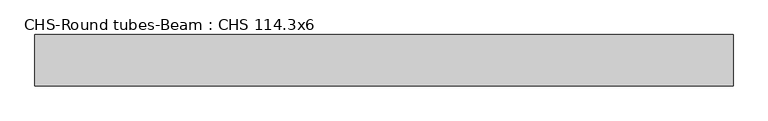
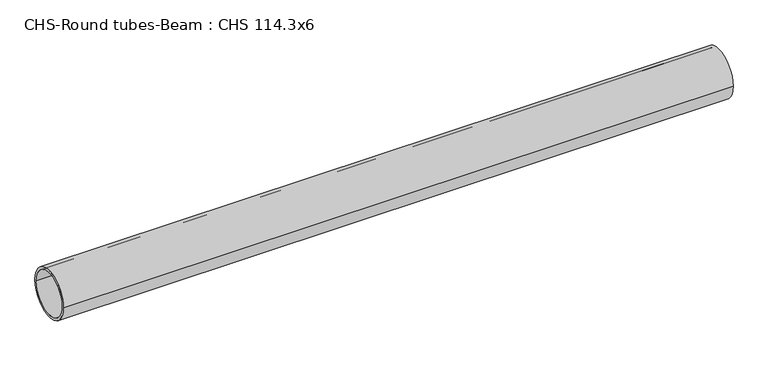
"""IFC4 building model written with IfcOpenShell, lengths in millimetres: beam geometry, CHS-Round tubes-Beam : CHS 114.3x6."""

import ifcopenshell
import ifcopenshell.guid

model = None  # the IFC model being written
_history = None  # IfcOwnerHistory: only IFC2X3 demands one
_inside = {}  # id of a spatial element -> (the spatial element, [elements in it])
_under = {}  # id of a project, library or spatial element -> (it, [spatial elements below it])
_declared = {}  # id of a project -> (the project, [libraries it declares])
_typed = {}  # id of a type object -> (the type object, [elements of that type])
_made_of = {}  # id of a material, layer set ... -> (it, [elements and type objects made of it])


def new_model(schema):
    """Start an empty IFC model of exactly this schema.

    Asked for "IFC4X3", IfcOpenShell would pick the latest addendum, in which some entities
    have other attributes; the version numbers below select the first issue.
    IFC2X3 requires an IfcOwnerHistory on every rooted entity: one is made here for all.
    """
    global model, _history
    if schema == "IFC4X3":
        model = ifcopenshell.file(schema_version=(4, 3, 0, 0))
    else:
        model = ifcopenshell.file(schema=schema)
    _inside.clear()
    _under.clear()
    _declared.clear()
    _typed.clear()
    _made_of.clear()
    _history = None
    if model.schema == "IFC2X3":
        org = make("IfcOrganization", Name="unknown")
        user = make(
            "IfcPersonAndOrganization",
            ThePerson=make("IfcPerson", FamilyName="unknown"),
            TheOrganization=org,
        )
        app = make(
            "IfcApplication",
            ApplicationDeveloper=org,
            Version="unknown",
            ApplicationFullName="unknown",
            ApplicationIdentifier="unknown",
        )
        _history = make(
            "IfcOwnerHistory",
            OwningUser=user,
            OwningApplication=app,
            ChangeAction="ADDED",
            CreationDate=0,
        )
    return model


def make(cls, **values):
    """One entity of the class cls with the attributes given. An attribute that is None is left unset."""
    return model.create_entity(
        cls, **{name: value for name, value in values.items() if value is not None}
    )


def rooted(cls, **values):
    """An entity with a GlobalId (a new one), such as an element, a storey or a relation."""
    return make(cls, GlobalId=ifcopenshell.guid.new(), OwnerHistory=_history, **values)


def si_unit(unit_type, name, prefix=None):
    """IfcSIUnit, for example si_unit("LENGTHUNIT", "METRE", prefix="MILLI")."""
    return make("IfcSIUnit", UnitType=unit_type, Prefix=prefix, Name=name)


def assignment(units):
    """IfcUnitAssignment: the units of a project."""
    return None if units is None else make("IfcUnitAssignment", Units=units)


def point(xyz):
    """IfcCartesianPoint."""
    return None if xyz is None else make("IfcCartesianPoint", Coordinates=xyz)


def direction(xyz):
    """IfcDirection."""
    return None if xyz is None else make("IfcDirection", DirectionRatios=xyz)


def frame(location, z_axis=None, x_axis=None):
    """IfcAxis2Placement3D, a coordinate frame: its origin and axes. An axis left out is left unset."""
    return make(
        "IfcAxis2Placement3D",
        Location=point(location),
        Axis=direction(z_axis),
        RefDirection=direction(x_axis),
    )


def frame_2d(location, x_axis=None):
    """IfcAxis2Placement2D, a coordinate frame in the plane: its origin and x axis."""
    return make(
        "IfcAxis2Placement2D", Location=point(location), RefDirection=direction(x_axis)
    )


def origin():
    """The frame at (0, 0, 0) with its axes left unset."""
    return frame((0.0, 0.0, 0.0))


def origin_2d():
    """The frame at (0, 0) in the plane with its x axis left unset."""
    return frame_2d((0.0, 0.0))


def place(relative_to, where):
    """IfcLocalPlacement: puts the frame where relative to a parent placement (None: the world)."""
    return make(
        "IfcLocalPlacement", PlacementRelTo=relative_to, RelativePlacement=where
    )


def context(
    kind, dimensions, precision=None, world=None, true_north=None, identifier=None
):
    """IfcGeometricRepresentationContext, for example the 3D "Model" context."""
    return make(
        "IfcGeometricRepresentationContext",
        ContextIdentifier=identifier,
        ContextType=kind,
        CoordinateSpaceDimension=dimensions,
        Precision=precision,
        WorldCoordinateSystem=world,
        TrueNorth=true_north,
    )


def project(units=None, contexts=None):
    """IfcProject with its units and contexts."""
    return rooted(
        "IfcProject",
        Name="project",
        RepresentationContexts=contexts,
        UnitsInContext=assignment(units),
    )


def spatial(cls, under=None, at=None, **own):
    """A site, building, storey or space (cls), placed at a placement, below another one or the project."""
    s = rooted(cls, ObjectPlacement=at, **own)
    if under is not None:
        _under.setdefault(under.id(), (under, []))[1].append(s)
    return s


def circle_curve(where, radius):
    """IfcCircle in the frame where."""
    return make("IfcCircle", Position=where, Radius=radius)


def trimmed(basis, trim1, trim2, sense, master):
    """IfcTrimmedCurve: the piece of a basis curve between two trims."""
    return make(
        "IfcTrimmedCurve",
        BasisCurve=basis,
        Trim1=trim1,
        Trim2=trim2,
        SenseAgreement=sense,
        MasterRepresentation=master,
    )


def segment(curve, same_sense, transition):
    """IfcCompositeCurveSegment."""
    return make(
        "IfcCompositeCurveSegment",
        Transition=transition,
        SameSense=same_sense,
        ParentCurve=curve,
    )


def composite_curve(segments, self_intersect=None):
    """IfcCompositeCurve: segments joined end to end."""
    return make("IfcCompositeCurve", Segments=segments, SelfIntersect=self_intersect)


def outline(outer, holes=None, kind="AREA"):
    """IfcArbitraryClosedProfileDef: a profile drawn as a closed curve; with holes, ...WithVoids."""
    if holes is None:
        return make("IfcArbitraryClosedProfileDef", ProfileType=kind, OuterCurve=outer)
    return make(
        "IfcArbitraryProfileDefWithVoids",
        ProfileType=kind,
        OuterCurve=outer,
        InnerCurves=holes,
    )


def extrude(swept, where, along, depth):
    """IfcExtrudedAreaSolid: the profile swept, set in the frame where, extruded along a direction by depth."""
    return make(
        "IfcExtrudedAreaSolid",
        SweptArea=swept,
        Position=where,
        ExtrudedDirection=direction(along),
        Depth=depth,
    )


def shape(context_of_items, identifier, shape_type, items):
    """IfcShapeRepresentation: the items that make up one representation, for example the "Body"."""
    return make(
        "IfcShapeRepresentation",
        ContextOfItems=context_of_items,
        RepresentationIdentifier=identifier,
        RepresentationType=shape_type,
        Items=items,
    )


def source(mapping_origin, context_of_items, identifier, shape_type, items):
    """IfcRepresentationMap: a shape defined once, which mapped items show again and again."""
    return make(
        "IfcRepresentationMap",
        MappingOrigin=mapping_origin,
        MappedRepresentation=shape(context_of_items, identifier, shape_type, items),
    )


def transform(
    local_origin,
    x_axis=None,
    y_axis=None,
    z_axis=None,
    scale=None,
    scale2=None,
    scale3=None,
    uniform=True,
):
    """IfcCartesianTransformationOperator3D, or its non-uniform kind. x_axis, y_axis, z_axis: its Axis1, 2, 3."""
    if uniform:
        return make(
            "IfcCartesianTransformationOperator3D",
            Axis1=direction(x_axis),
            Axis2=direction(y_axis),
            LocalOrigin=point(local_origin),
            Scale=scale,
            Axis3=direction(z_axis),
        )
    return make(
        "IfcCartesianTransformationOperator3DnonUniform",
        Axis1=direction(x_axis),
        Axis2=direction(y_axis),
        LocalOrigin=point(local_origin),
        Scale=scale,
        Axis3=direction(z_axis),
        Scale2=scale2,
        Scale3=scale3,
    )


def mapped(mapping_source, mapping_target):
    """IfcMappedItem: shows the shape of a source again, moved by a transform."""
    return make(
        "IfcMappedItem", MappingSource=mapping_source, MappingTarget=mapping_target
    )


def made_of(thing, what):
    """Note that an element or type object is made of a material, layer set ...; save() writes the relation."""
    if what is not None:
        _made_of.setdefault(what.id(), (what, []))[1].append(thing)
    return thing


def element(
    cls,
    number,
    at=None,
    inside=None,
    cuts=None,
    type_object=None,
    material=None,
    context=None,
    identifier="Body",
    shape_type=None,
    held_by="IfcProductDefinitionShape",
    body=None,
    shapes=None,
    **own,
):
    """One element of the class cls, such as IfcWall. Its Tag is "e" and its number.

    at: its placement. inside: the storey or other place that contains it. cuts: it is an
    opening in that element (IfcRelVoidsElement). A single representation is given by context,
    identifier, shape_type and body (its items); several are given by shapes. held_by: the class
    of the entity that holds the representations. save() writes the other relations.
    """
    e = rooted(cls, Tag="e%d" % number, ObjectPlacement=at, **own)
    if body is not None:
        shapes = [shape(context, identifier, shape_type, body)]
    if shapes is not None:
        e.Representation = make(held_by, Representations=shapes)
    if inside is not None:
        _inside.setdefault(inside.id(), (inside, []))[1].append(e)
    if cuts is not None:
        rooted(
            "IfcRelVoidsElement", RelatingBuildingElement=cuts, RelatedOpeningElement=e
        )
    if type_object is not None:
        _typed.setdefault(type_object.id(), (type_object, []))[1].append(e)
    return made_of(e, material)


def aggregate(whole, parts):
    """IfcRelAggregates: a whole, such as a stair, and the parts it consists of."""
    return rooted("IfcRelAggregates", RelatingObject=whole, RelatedObjects=parts)


def save(model, path):
    """Write the relations noted so far, then the file.

    IfcRelAggregates (storeys below a building ...), IfcRelContainedInSpatialStructure (elements
    in a storey), IfcRelDefinesByType, IfcRelAssociatesMaterial and IfcRelDeclares: one each for
    every whole, place, type object, material and project.
    """
    for whole, parts in _under.values():
        aggregate(whole, parts)
    for where, things in _inside.values():
        rooted(
            "IfcRelContainedInSpatialStructure",
            RelatedElements=things,
            RelatingStructure=where,
        )
    for kind, things in _typed.values():
        rooted("IfcRelDefinesByType", RelatedObjects=things, RelatingType=kind)
    for what, things in _made_of.values():
        rooted("IfcRelAssociatesMaterial", RelatedObjects=things, RelatingMaterial=what)
    for by, libraries in _declared.values():
        rooted("IfcRelDeclares", RelatingContext=by, RelatedDefinitions=libraries)
    model.write(path)


def chs_round_tubes_beam_chs_114_3x6_7da898fe(model_context):
    return source(origin(), model_context, "Body", "SweptSolid", [
        extrude(outline(composite_curve([segment(trimmed(circle_curve(origin_2d(), 57.15), [point((57.15, 0.0))], [point((-57.15, 0.0))], False, "CARTESIAN"), True, "CONTINUOUS"), segment(trimmed(circle_curve(origin_2d(), 57.15), [point((-57.15, 0.0))], [point((57.15, 0.0))], False, "CARTESIAN"), True, "CONTINUOUS")], self_intersect=False), holes=[composite_curve([segment(trimmed(circle_curve(origin_2d(), 51.15), [point((51.15, 0.0))], [point((-51.15, 0.0))], True, "CARTESIAN"), True, "CONTINUOUS"), segment(trimmed(circle_curve(origin_2d(), 51.15), [point((-51.15, 0.0))], [point((51.15, 0.0))], True, "CARTESIAN"), True, "CONTINUOUS")], self_intersect=False)]), frame((-790.1353049, 0.0, 0.0), z_axis=(1.0, 0.0, 0.0), x_axis=(0.0, 1.0, 0.0)), (0.0, 0.0, 1.0), 1555.5820139),
    ])


if __name__ == "__main__":
    model = new_model("IFC4")
    model_context = context("Model", 3, world=origin())
    ifc_project = project(units=[si_unit("LENGTHUNIT", "METRE", prefix="MILLI")], contexts=[model_context])
    site = spatial("IfcSite", under=ifc_project)
    building = spatial("IfcBuilding", under=site)
    placement = place(None, origin())
    chs_round_tubes_beam_chs_114_3x6_shape = chs_round_tubes_beam_chs_114_3x6_7da898fe(model_context)
    element("IfcBeam", 1, ObjectType="CHS-Round tubes-Beam : CHS 114.3x6", at=placement, inside=building, context=model_context, shape_type="MappedRepresentation", body=[
        mapped(chs_round_tubes_beam_chs_114_3x6_shape, transform((0.0, 0.0, 0.0), x_axis=(1.0, 0.0, 0.0), y_axis=(0.0, 1.0, 0.0), z_axis=(0.0, 0.0, 1.0))),
    ])
    save(model, "model.ifc")
